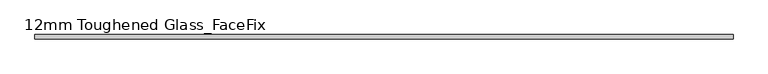
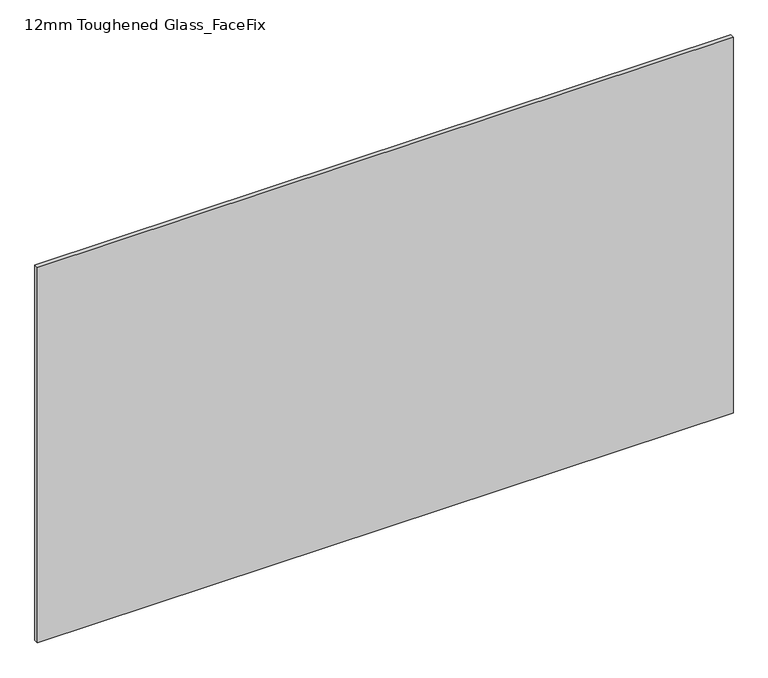
"""IFC4 building model written with IfcOpenShell, lengths in millimetres: plate geometry, 12mm Toughened Glass_FaceFix."""

import ifcopenshell
import ifcopenshell.guid

model = None  # the IFC model being written
_history = None  # IfcOwnerHistory: only IFC2X3 demands one
_inside = {}  # id of a spatial element -> (the spatial element, [elements in it])
_under = {}  # id of a project, library or spatial element -> (it, [spatial elements below it])
_declared = {}  # id of a project -> (the project, [libraries it declares])
_typed = {}  # id of a type object -> (the type object, [elements of that type])
_made_of = {}  # id of a material, layer set ... -> (it, [elements and type objects made of it])


def new_model(schema):
    """Start an empty IFC model of exactly this schema.

    Asked for "IFC4X3", IfcOpenShell would pick the latest addendum, in which some entities
    have other attributes; the version numbers below select the first issue.
    IFC2X3 requires an IfcOwnerHistory on every rooted entity: one is made here for all.
    """
    global model, _history
    if schema == "IFC4X3":
        model = ifcopenshell.file(schema_version=(4, 3, 0, 0))
    else:
        model = ifcopenshell.file(schema=schema)
    _inside.clear()
    _under.clear()
    _declared.clear()
    _typed.clear()
    _made_of.clear()
    _history = None
    if model.schema == "IFC2X3":
        org = make("IfcOrganization", Name="unknown")
        user = make(
            "IfcPersonAndOrganization",
            ThePerson=make("IfcPerson", FamilyName="unknown"),
            TheOrganization=org,
        )
        app = make(
            "IfcApplication",
            ApplicationDeveloper=org,
            Version="unknown",
            ApplicationFullName="unknown",
            ApplicationIdentifier="unknown",
        )
        _history = make(
            "IfcOwnerHistory",
            OwningUser=user,
            OwningApplication=app,
            ChangeAction="ADDED",
            CreationDate=0,
        )
    return model


def make(cls, **values):
    """One entity of the class cls with the attributes given. An attribute that is None is left unset."""
    return model.create_entity(
        cls, **{name: value for name, value in values.items() if value is not None}
    )


def rooted(cls, **values):
    """An entity with a GlobalId (a new one), such as an element, a storey or a relation."""
    return make(cls, GlobalId=ifcopenshell.guid.new(), OwnerHistory=_history, **values)


def si_unit(unit_type, name, prefix=None):
    """IfcSIUnit, for example si_unit("LENGTHUNIT", "METRE", prefix="MILLI")."""
    return make("IfcSIUnit", UnitType=unit_type, Prefix=prefix, Name=name)


def assignment(units):
    """IfcUnitAssignment: the units of a project."""
    return None if units is None else make("IfcUnitAssignment", Units=units)


def point(xyz):
    """IfcCartesianPoint."""
    return None if xyz is None else make("IfcCartesianPoint", Coordinates=xyz)


def direction(xyz):
    """IfcDirection."""
    return None if xyz is None else make("IfcDirection", DirectionRatios=xyz)


def frame(location, z_axis=None, x_axis=None):
    """IfcAxis2Placement3D, a coordinate frame: its origin and axes. An axis left out is left unset."""
    return make(
        "IfcAxis2Placement3D",
        Location=point(location),
        Axis=direction(z_axis),
        RefDirection=direction(x_axis),
    )


def origin():
    """The frame at (0, 0, 0) with its axes left unset."""
    return frame((0.0, 0.0, 0.0))


def origin_with_axes():
    """The frame at (0, 0, 0) with the z axis (0, 0, 1) and the x axis (1, 0, 0) written out."""
    return frame((0.0, 0.0, 0.0), z_axis=(0.0, 0.0, 1.0), x_axis=(1.0, 0.0, 0.0))


def place(relative_to, where):
    """IfcLocalPlacement: puts the frame where relative to a parent placement (None: the world)."""
    return make(
        "IfcLocalPlacement", PlacementRelTo=relative_to, RelativePlacement=where
    )


def context(
    kind, dimensions, precision=None, world=None, true_north=None, identifier=None
):
    """IfcGeometricRepresentationContext, for example the 3D "Model" context."""
    return make(
        "IfcGeometricRepresentationContext",
        ContextIdentifier=identifier,
        ContextType=kind,
        CoordinateSpaceDimension=dimensions,
        Precision=precision,
        WorldCoordinateSystem=world,
        TrueNorth=true_north,
    )


def project(units=None, contexts=None):
    """IfcProject with its units and contexts."""
    return rooted(
        "IfcProject",
        Name="project",
        RepresentationContexts=contexts,
        UnitsInContext=assignment(units),
    )


def spatial(cls, under=None, at=None, **own):
    """A site, building, storey or space (cls), placed at a placement, below another one or the project."""
    s = rooted(cls, ObjectPlacement=at, **own)
    if under is not None:
        _under.setdefault(under.id(), (under, []))[1].append(s)
    return s


def polyline(points):
    """IfcPolyline through the points."""
    return make("IfcPolyline", Points=[point(p) for p in points])


def outline(outer, holes=None, kind="AREA"):
    """IfcArbitraryClosedProfileDef: a profile drawn as a closed curve; with holes, ...WithVoids."""
    if holes is None:
        return make("IfcArbitraryClosedProfileDef", ProfileType=kind, OuterCurve=outer)
    return make(
        "IfcArbitraryProfileDefWithVoids",
        ProfileType=kind,
        OuterCurve=outer,
        InnerCurves=holes,
    )


def extrude(swept, where, along, depth):
    """IfcExtrudedAreaSolid: the profile swept, set in the frame where, extruded along a direction by depth."""
    return make(
        "IfcExtrudedAreaSolid",
        SweptArea=swept,
        Position=where,
        ExtrudedDirection=direction(along),
        Depth=depth,
    )


def shape(context_of_items, identifier, shape_type, items):
    """IfcShapeRepresentation: the items that make up one representation, for example the "Body"."""
    return make(
        "IfcShapeRepresentation",
        ContextOfItems=context_of_items,
        RepresentationIdentifier=identifier,
        RepresentationType=shape_type,
        Items=items,
    )


def source(mapping_origin, context_of_items, identifier, shape_type, items):
    """IfcRepresentationMap: a shape defined once, which mapped items show again and again."""
    return make(
        "IfcRepresentationMap",
        MappingOrigin=mapping_origin,
        MappedRepresentation=shape(context_of_items, identifier, shape_type, items),
    )


def transform(
    local_origin,
    x_axis=None,
    y_axis=None,
    z_axis=None,
    scale=None,
    scale2=None,
    scale3=None,
    uniform=True,
):
    """IfcCartesianTransformationOperator3D, or its non-uniform kind. x_axis, y_axis, z_axis: its Axis1, 2, 3."""
    if uniform:
        return make(
            "IfcCartesianTransformationOperator3D",
            Axis1=direction(x_axis),
            Axis2=direction(y_axis),
            LocalOrigin=point(local_origin),
            Scale=scale,
            Axis3=direction(z_axis),
        )
    return make(
        "IfcCartesianTransformationOperator3DnonUniform",
        Axis1=direction(x_axis),
        Axis2=direction(y_axis),
        LocalOrigin=point(local_origin),
        Scale=scale,
        Axis3=direction(z_axis),
        Scale2=scale2,
        Scale3=scale3,
    )


def mapped(mapping_source, mapping_target):
    """IfcMappedItem: shows the shape of a source again, moved by a transform."""
    return make(
        "IfcMappedItem", MappingSource=mapping_source, MappingTarget=mapping_target
    )


def made_of(thing, what):
    """Note that an element or type object is made of a material, layer set ...; save() writes the relation."""
    if what is not None:
        _made_of.setdefault(what.id(), (what, []))[1].append(thing)
    return thing


def element(
    cls,
    number,
    at=None,
    inside=None,
    cuts=None,
    type_object=None,
    material=None,
    context=None,
    identifier="Body",
    shape_type=None,
    held_by="IfcProductDefinitionShape",
    body=None,
    shapes=None,
    **own,
):
    """One element of the class cls, such as IfcWall. Its Tag is "e" and its number.

    at: its placement. inside: the storey or other place that contains it. cuts: it is an
    opening in that element (IfcRelVoidsElement). A single representation is given by context,
    identifier, shape_type and body (its items); several are given by shapes. held_by: the class
    of the entity that holds the representations. save() writes the other relations.
    """
    e = rooted(cls, Tag="e%d" % number, ObjectPlacement=at, **own)
    if body is not None:
        shapes = [shape(context, identifier, shape_type, body)]
    if shapes is not None:
        e.Representation = make(held_by, Representations=shapes)
    if inside is not None:
        _inside.setdefault(inside.id(), (inside, []))[1].append(e)
    if cuts is not None:
        rooted(
            "IfcRelVoidsElement", RelatingBuildingElement=cuts, RelatedOpeningElement=e
        )
    if type_object is not None:
        _typed.setdefault(type_object.id(), (type_object, []))[1].append(e)
    return made_of(e, material)


def aggregate(whole, parts):
    """IfcRelAggregates: a whole, such as a stair, and the parts it consists of."""
    return rooted("IfcRelAggregates", RelatingObject=whole, RelatedObjects=parts)


def save(model, path):
    """Write the relations noted so far, then the file.

    IfcRelAggregates (storeys below a building ...), IfcRelContainedInSpatialStructure (elements
    in a storey), IfcRelDefinesByType, IfcRelAssociatesMaterial and IfcRelDeclares: one each for
    every whole, place, type object, material and project.
    """
    for whole, parts in _under.values():
        aggregate(whole, parts)
    for where, things in _inside.values():
        rooted(
            "IfcRelContainedInSpatialStructure",
            RelatedElements=things,
            RelatingStructure=where,
        )
    for kind, things in _typed.values():
        rooted("IfcRelDefinesByType", RelatedObjects=things, RelatingType=kind)
    for what, things in _made_of.values():
        rooted("IfcRelAssociatesMaterial", RelatedObjects=things, RelatingMaterial=what)
    for by, libraries in _declared.values():
        rooted("IfcRelDeclares", RelatingContext=by, RelatedDefinitions=libraries)
    model.write(path)


def plate_12mm_toughened_glass_facefix_448b4f93(model_context):
    return source(origin(), model_context, "Body", "SweptSolid", [
        extrude(outline(polyline([(945.0000001, -26.0), (945.0000001, -38.0), (-945.0000001, -38.0), (-945.0000001, -26.0), (945.0000001, -26.0)])), origin_with_axes(), (0.0, 0.0, 1.0), 1079.0),
    ])


if __name__ == "__main__":
    model = new_model("IFC4")
    model_context = context("Model", 3, world=origin())
    ifc_project = project(units=[si_unit("LENGTHUNIT", "METRE", prefix="MILLI")], contexts=[model_context])
    site = spatial("IfcSite", under=ifc_project)
    building = spatial("IfcBuilding", under=site)
    placement = place(None, origin())
    plate_12mm_toughened_glass_facefix_shape = plate_12mm_toughened_glass_facefix_448b4f93(model_context)
    element("IfcPlate", 1, ObjectType="12mm Toughened Glass_FaceFix", at=placement, inside=building, context=model_context, shape_type="MappedRepresentation", body=[
        mapped(plate_12mm_toughened_glass_facefix_shape, transform((0.0, 0.0, 0.0), x_axis=(1.0, 0.0, 0.0), y_axis=(0.0, 1.0, 0.0), z_axis=(0.0, 0.0, 1.0))),
    ])
    save(model, "model.ifc")
